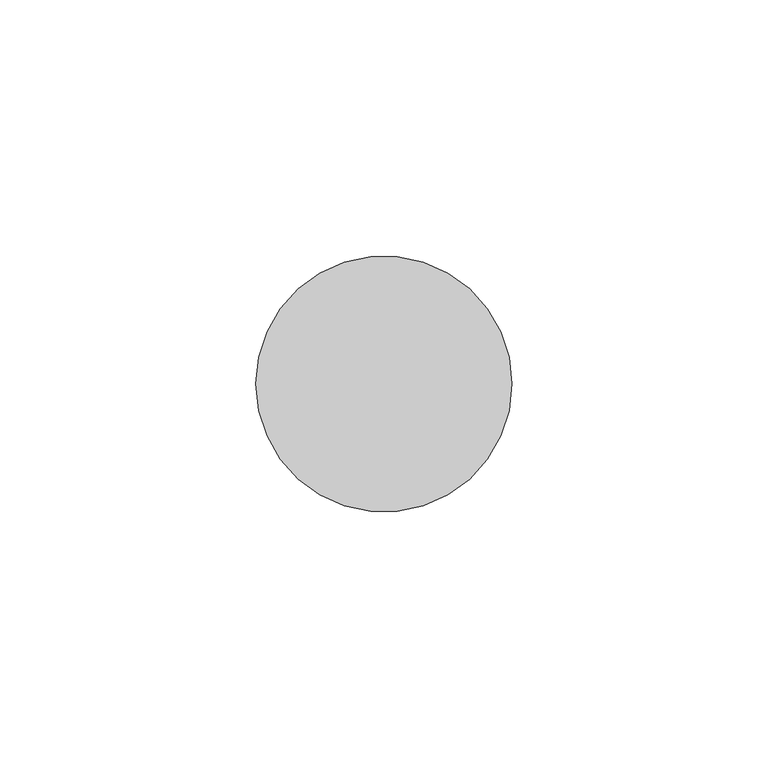
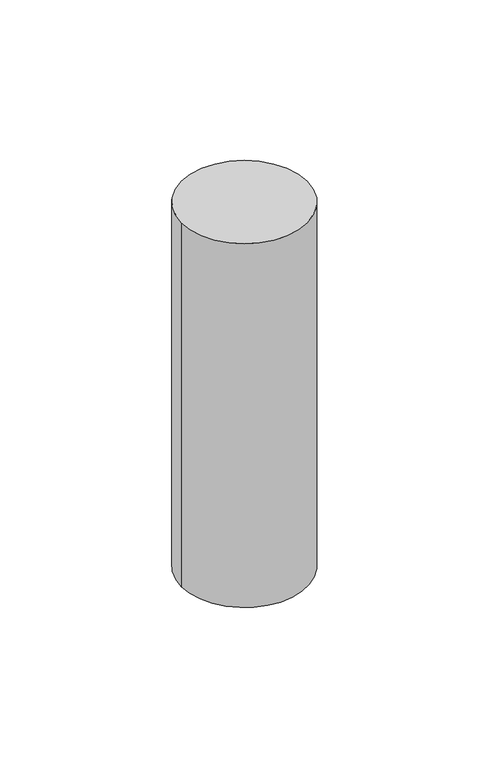
"""IFC4 building model written with IfcOpenShell, lengths in millimetres: member geometry."""

from ifc_helpers import new_model, si_unit, point, frame, origin, origin_2d, place, context, project, spatial, circle_curve, trimmed, segment, composite_curve, outline, extrude, source, transform, mapped, element, save


def member_779d3e0c(model_context):
    return source(origin(), model_context, "Body", "SweptSolid", [
        extrude(outline(composite_curve([segment(trimmed(circle_curve(origin_2d(), 25.0), [point((25.0, 0.0))], [point((-25.0, 0.0))], False, "CARTESIAN"), True, "CONTINUOUS"), segment(trimmed(circle_curve(origin_2d(), 25.0), [point((-25.0, 0.0))], [point((25.0, 0.0))], False, "CARTESIAN"), True, "CONTINUOUS")], self_intersect=False)), frame((0.0, 0.0, -153.0), z_axis=(0.0, 0.0, 1.0), x_axis=(1.0, 0.0, 0.0)), (0.0, 0.0, 1.0), 153.0),
    ])


if __name__ == "__main__":
    model = new_model("IFC4")
    model_context = context("Model", 3, world=origin())
    ifc_project = project(units=[si_unit("LENGTHUNIT", "METRE", prefix="MILLI")], contexts=[model_context])
    site = spatial("IfcSite", under=ifc_project)
    building = spatial("IfcBuilding", under=site)
    placement = place(None, origin())
    member_shape = member_779d3e0c(model_context)
    element("IfcMember", 1, at=placement, inside=building, context=model_context, shape_type="MappedRepresentation", body=[
        mapped(member_shape, transform((0.0, 0.0, 0.0), x_axis=(1.0, 0.0, 0.0), y_axis=(0.0, 1.0, 0.0), z_axis=(0.0, 0.0, 1.0))),
    ])
    save(model, "model.ifc")
